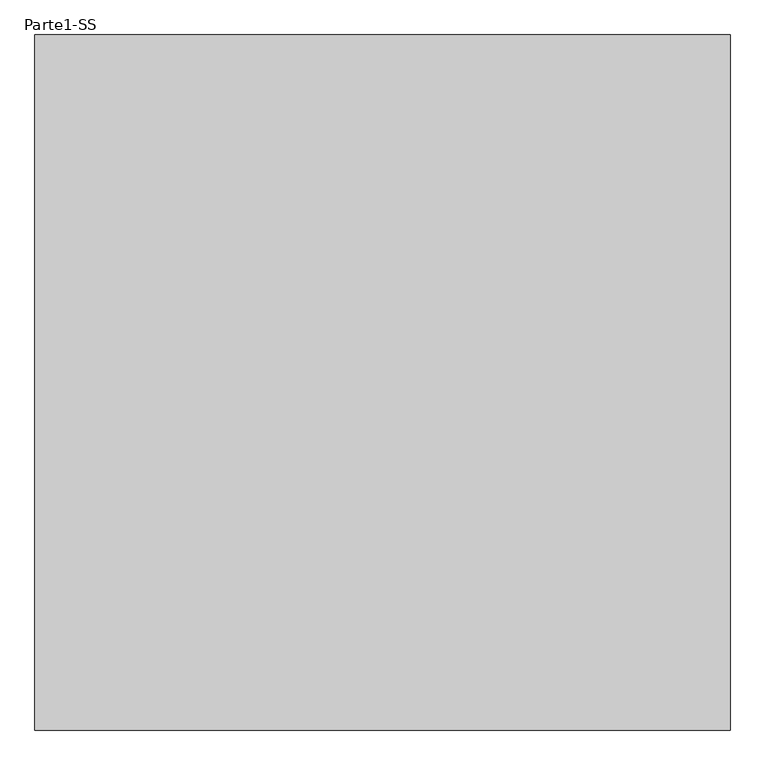
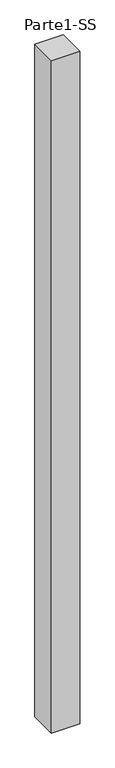
"""IFC4 building model written with IfcOpenShell, lengths in millimetres: proxy geometry, Parte1-SS."""

from ifc_helpers import new_model, si_unit, frame, origin, place, context, project, spatial, polyline, outline, extrude, source, transform, mapped, element, save


def parte1_ss_d5b25b63(model_context):
    return source(origin(), model_context, "Body", "SweptSolid", [
        extrude(outline(polyline([(4000.0, 4000.0), (4000.0, 0.0), (0.0, 0.0), (0.0, 4000.0), (4000.0, 4000.0)])), frame((0.0, 0.0, 25000.0), z_axis=(0.0, 0.0, 1.0), x_axis=(1.0, 0.0, 0.0)), (0.0, 0.0, 1.0), 100000.0),
    ])


if __name__ == "__main__":
    model = new_model("IFC4")
    model_context = context("Model", 3, world=origin())
    ifc_project = project(units=[si_unit("LENGTHUNIT", "METRE", prefix="MILLI")], contexts=[model_context])
    site = spatial("IfcSite", under=ifc_project)
    building = spatial("IfcBuilding", under=site)
    placement = place(None, origin())
    parte1_ss_shape = parte1_ss_d5b25b63(model_context)
    element("IfcBuildingElementProxy", 1, Name="Parte1-SS", ObjectType="Parte1-SS", at=placement, inside=building, context=model_context, shape_type="MappedRepresentation", body=[
        mapped(parte1_ss_shape, transform((0.0, 0.0, 0.0), x_axis=(1.0, 0.0, 0.0), y_axis=(0.0, 1.0, 0.0), z_axis=(0.0, 0.0, 1.0))),
    ])
    save(model, "model.ifc")
